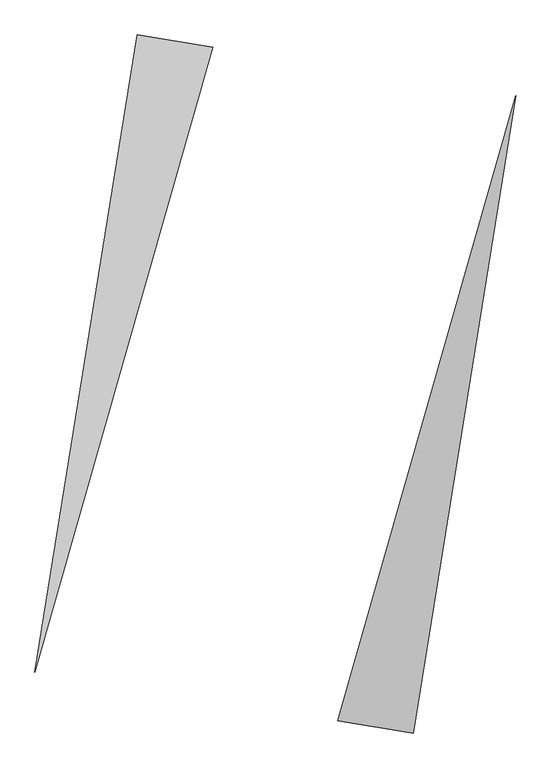
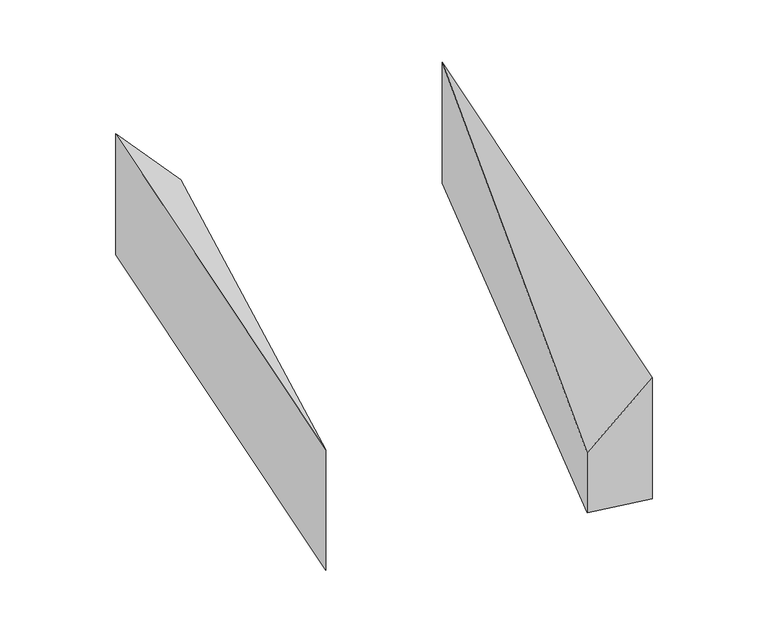
"""IFC4 building model written with IfcOpenShell, lengths in millimetres: proxy geometry."""

import ifcopenshell
import ifcopenshell.guid

model = None  # the IFC model being written
_history = None  # IfcOwnerHistory: only IFC2X3 demands one
_inside = {}  # id of a spatial element -> (the spatial element, [elements in it])
_under = {}  # id of a project, library or spatial element -> (it, [spatial elements below it])
_declared = {}  # id of a project -> (the project, [libraries it declares])
_typed = {}  # id of a type object -> (the type object, [elements of that type])
_made_of = {}  # id of a material, layer set ... -> (it, [elements and type objects made of it])


def new_model(schema):
    """Start an empty IFC model of exactly this schema.

    Asked for "IFC4X3", IfcOpenShell would pick the latest addendum, in which some entities
    have other attributes; the version numbers below select the first issue.
    IFC2X3 requires an IfcOwnerHistory on every rooted entity: one is made here for all.
    """
    global model, _history
    if schema == "IFC4X3":
        model = ifcopenshell.file(schema_version=(4, 3, 0, 0))
    else:
        model = ifcopenshell.file(schema=schema)
    _inside.clear()
    _under.clear()
    _declared.clear()
    _typed.clear()
    _made_of.clear()
    _history = None
    if model.schema == "IFC2X3":
        org = make("IfcOrganization", Name="unknown")
        user = make(
            "IfcPersonAndOrganization",
            ThePerson=make("IfcPerson", FamilyName="unknown"),
            TheOrganization=org,
        )
        app = make(
            "IfcApplication",
            ApplicationDeveloper=org,
            Version="unknown",
            ApplicationFullName="unknown",
            ApplicationIdentifier="unknown",
        )
        _history = make(
            "IfcOwnerHistory",
            OwningUser=user,
            OwningApplication=app,
            ChangeAction="ADDED",
            CreationDate=0,
        )
    return model


def make(cls, **values):
    """One entity of the class cls with the attributes given. An attribute that is None is left unset."""
    return model.create_entity(
        cls, **{name: value for name, value in values.items() if value is not None}
    )


def rooted(cls, **values):
    """An entity with a GlobalId (a new one), such as an element, a storey or a relation."""
    return make(cls, GlobalId=ifcopenshell.guid.new(), OwnerHistory=_history, **values)


def si_unit(unit_type, name, prefix=None):
    """IfcSIUnit, for example si_unit("LENGTHUNIT", "METRE", prefix="MILLI")."""
    return make("IfcSIUnit", UnitType=unit_type, Prefix=prefix, Name=name)


def assignment(units):
    """IfcUnitAssignment: the units of a project."""
    return None if units is None else make("IfcUnitAssignment", Units=units)


def point(xyz):
    """IfcCartesianPoint."""
    return None if xyz is None else make("IfcCartesianPoint", Coordinates=xyz)


def direction(xyz):
    """IfcDirection."""
    return None if xyz is None else make("IfcDirection", DirectionRatios=xyz)


def frame(location, z_axis=None, x_axis=None):
    """IfcAxis2Placement3D, a coordinate frame: its origin and axes. An axis left out is left unset."""
    return make(
        "IfcAxis2Placement3D",
        Location=point(location),
        Axis=direction(z_axis),
        RefDirection=direction(x_axis),
    )


def origin():
    """The frame at (0, 0, 0) with its axes left unset."""
    return frame((0.0, 0.0, 0.0))


def place(relative_to, where):
    """IfcLocalPlacement: puts the frame where relative to a parent placement (None: the world)."""
    return make(
        "IfcLocalPlacement", PlacementRelTo=relative_to, RelativePlacement=where
    )


def context(
    kind, dimensions, precision=None, world=None, true_north=None, identifier=None
):
    """IfcGeometricRepresentationContext, for example the 3D "Model" context."""
    return make(
        "IfcGeometricRepresentationContext",
        ContextIdentifier=identifier,
        ContextType=kind,
        CoordinateSpaceDimension=dimensions,
        Precision=precision,
        WorldCoordinateSystem=world,
        TrueNorth=true_north,
    )


def project(units=None, contexts=None):
    """IfcProject with its units and contexts."""
    return rooted(
        "IfcProject",
        Name="project",
        RepresentationContexts=contexts,
        UnitsInContext=assignment(units),
    )


def spatial(cls, under=None, at=None, **own):
    """A site, building, storey or space (cls), placed at a placement, below another one or the project."""
    s = rooted(cls, ObjectPlacement=at, **own)
    if under is not None:
        _under.setdefault(under.id(), (under, []))[1].append(s)
    return s


def faces_of(points, faces, orient=None, outer=None):
    """IfcFace entities. A face is a list of loops; a loop is a list of indices into points, from 0.

    orient and outer hold one flag for each loop. By default every Orientation is true, the
    first loop of a face is its IfcFaceOuterBound and the others are IfcFaceBound.
    """
    made = []
    for i, loops in enumerate(faces):
        bounds = []
        for j, loop in enumerate(loops):
            is_outer = j == 0 if outer is None else outer[i][j]
            bounds.append(
                make(
                    "IfcFaceOuterBound" if is_outer else "IfcFaceBound",
                    Bound=make("IfcPolyLoop", Polygon=[points[k] for k in loop]),
                    Orientation=True if orient is None else orient[i][j],
                )
            )
        made.append(make("IfcFace", Bounds=bounds))
    return made


def faceted_brep(points, faces, orient=None, outer=None, voids=None):
    """IfcFacetedBrep: a solid bounded by flat faces; with voids (closed shells), ...WithVoids."""
    shared = [point(p) for p in points]
    hull = make("IfcClosedShell", CfsFaces=faces_of(shared, faces, orient, outer))
    if voids is None:
        return make("IfcFacetedBrep", Outer=hull)
    return make(
        "IfcFacetedBrepWithVoids",
        Outer=hull,
        Voids=[
            make(cls, CfsFaces=faces_of(shared, fs, o, b)) for cls, fs, o, b in voids
        ],
    )


def shape(context_of_items, identifier, shape_type, items):
    """IfcShapeRepresentation: the items that make up one representation, for example the "Body"."""
    return make(
        "IfcShapeRepresentation",
        ContextOfItems=context_of_items,
        RepresentationIdentifier=identifier,
        RepresentationType=shape_type,
        Items=items,
    )


def source(mapping_origin, context_of_items, identifier, shape_type, items):
    """IfcRepresentationMap: a shape defined once, which mapped items show again and again."""
    return make(
        "IfcRepresentationMap",
        MappingOrigin=mapping_origin,
        MappedRepresentation=shape(context_of_items, identifier, shape_type, items),
    )


def transform(
    local_origin,
    x_axis=None,
    y_axis=None,
    z_axis=None,
    scale=None,
    scale2=None,
    scale3=None,
    uniform=True,
):
    """IfcCartesianTransformationOperator3D, or its non-uniform kind. x_axis, y_axis, z_axis: its Axis1, 2, 3."""
    if uniform:
        return make(
            "IfcCartesianTransformationOperator3D",
            Axis1=direction(x_axis),
            Axis2=direction(y_axis),
            LocalOrigin=point(local_origin),
            Scale=scale,
            Axis3=direction(z_axis),
        )
    return make(
        "IfcCartesianTransformationOperator3DnonUniform",
        Axis1=direction(x_axis),
        Axis2=direction(y_axis),
        LocalOrigin=point(local_origin),
        Scale=scale,
        Axis3=direction(z_axis),
        Scale2=scale2,
        Scale3=scale3,
    )


def mapped(mapping_source, mapping_target):
    """IfcMappedItem: shows the shape of a source again, moved by a transform."""
    return make(
        "IfcMappedItem", MappingSource=mapping_source, MappingTarget=mapping_target
    )


def made_of(thing, what):
    """Note that an element or type object is made of a material, layer set ...; save() writes the relation."""
    if what is not None:
        _made_of.setdefault(what.id(), (what, []))[1].append(thing)
    return thing


def element(
    cls,
    number,
    at=None,
    inside=None,
    cuts=None,
    type_object=None,
    material=None,
    context=None,
    identifier="Body",
    shape_type=None,
    held_by="IfcProductDefinitionShape",
    body=None,
    shapes=None,
    **own,
):
    """One element of the class cls, such as IfcWall. Its Tag is "e" and its number.

    at: its placement. inside: the storey or other place that contains it. cuts: it is an
    opening in that element (IfcRelVoidsElement). A single representation is given by context,
    identifier, shape_type and body (its items); several are given by shapes. held_by: the class
    of the entity that holds the representations. save() writes the other relations.
    """
    e = rooted(cls, Tag="e%d" % number, ObjectPlacement=at, **own)
    if body is not None:
        shapes = [shape(context, identifier, shape_type, body)]
    if shapes is not None:
        e.Representation = make(held_by, Representations=shapes)
    if inside is not None:
        _inside.setdefault(inside.id(), (inside, []))[1].append(e)
    if cuts is not None:
        rooted(
            "IfcRelVoidsElement", RelatingBuildingElement=cuts, RelatedOpeningElement=e
        )
    if type_object is not None:
        _typed.setdefault(type_object.id(), (type_object, []))[1].append(e)
    return made_of(e, material)


def aggregate(whole, parts):
    """IfcRelAggregates: a whole, such as a stair, and the parts it consists of."""
    return rooted("IfcRelAggregates", RelatingObject=whole, RelatedObjects=parts)


def save(model, path):
    """Write the relations noted so far, then the file.

    IfcRelAggregates (storeys below a building ...), IfcRelContainedInSpatialStructure (elements
    in a storey), IfcRelDefinesByType, IfcRelAssociatesMaterial and IfcRelDeclares: one each for
    every whole, place, type object, material and project.
    """
    for whole, parts in _under.values():
        aggregate(whole, parts)
    for where, things in _inside.values():
        rooted(
            "IfcRelContainedInSpatialStructure",
            RelatedElements=things,
            RelatingStructure=where,
        )
    for kind, things in _typed.values():
        rooted("IfcRelDefinesByType", RelatedObjects=things, RelatingType=kind)
    for what, things in _made_of.values():
        rooted("IfcRelAssociatesMaterial", RelatedObjects=things, RelatingMaterial=what)
    for by, libraries in _declared.values():
        rooted("IfcRelDeclares", RelatingContext=by, RelatedDefinitions=libraries)
    model.write(path)


def generic_models_a18740ab(model_context):
    return source(origin(), model_context, "Body", "Brep", [
        faceted_brep([(-387.0031149, 2087.5547511, 0.0), (-856.0170022, 2162.7277087, 0.0), (-856.0170022, 2162.7277087, 1000.0), (-387.0031149, 2087.5547511, 500.0), (-1489.0524341, -1786.862921, 0.0), (-1489.0524341, -1786.862921, 1000.0)], [[[0, 1, 2, 3]], [[1, 4, 5, 2]], [[4, 0, 3, 5]], [[3, 2, 5]], [[0, 4, 1]]]),
        faceted_brep([(856.0170022, -2162.7277087, 0.0), (1489.0524341, 1786.862921, 0.0), (1489.0524341, 1786.862921, 1000.0), (856.0170022, -2162.7277087, 1000.0), (387.0031149, -2087.5547511, 0.0), (387.0031149, -2087.5547511, 500.0)], [[[0, 1, 2, 3]], [[1, 4, 5, 2]], [[4, 0, 3, 5]], [[2, 5, 3]], [[0, 4, 1]]]),
    ])


if __name__ == "__main__":
    model = new_model("IFC4")
    model_context = context("Model", 3, world=origin())
    ifc_project = project(units=[si_unit("LENGTHUNIT", "METRE", prefix="MILLI")], contexts=[model_context])
    site = spatial("IfcSite", under=ifc_project)
    building = spatial("IfcBuilding", under=site)
    placement = place(None, origin())
    generic_models_shape = generic_models_a18740ab(model_context)
    element("IfcBuildingElementProxy", 1, Name="Generic Models", at=placement, inside=building, context=model_context, shape_type="MappedRepresentation", body=[
        mapped(generic_models_shape, transform((0.0, 0.0, 0.0), x_axis=(1.0, 0.0, 0.0), y_axis=(0.0, 1.0, 0.0), z_axis=(0.0, 0.0, 1.0))),
    ])
    save(model, "model.ifc")
